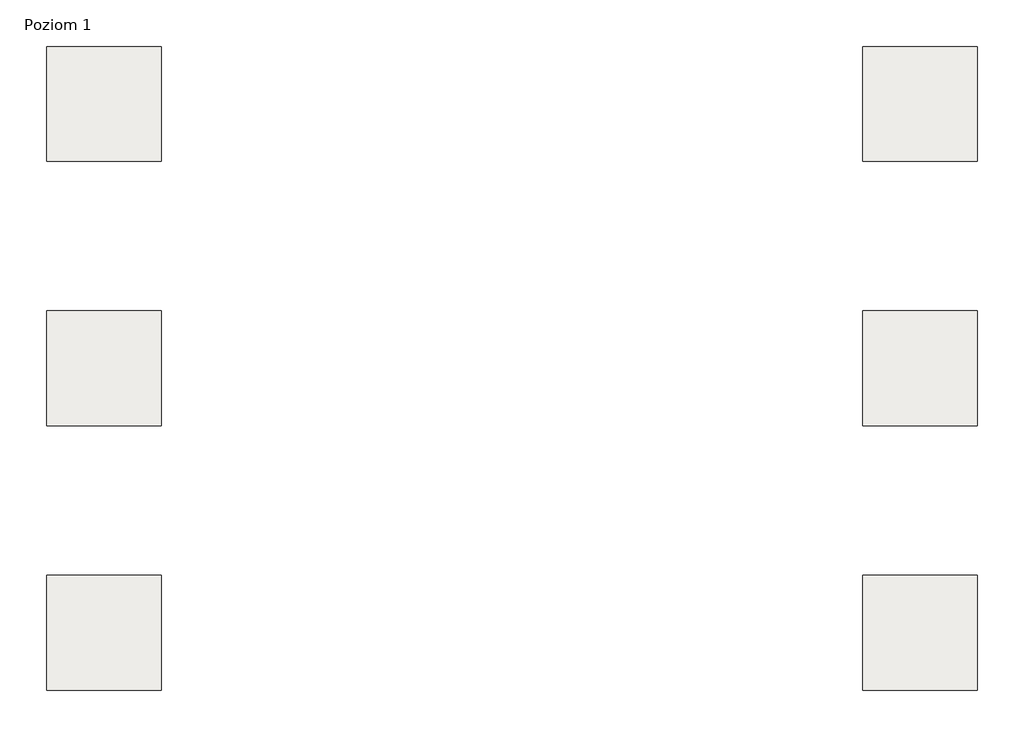
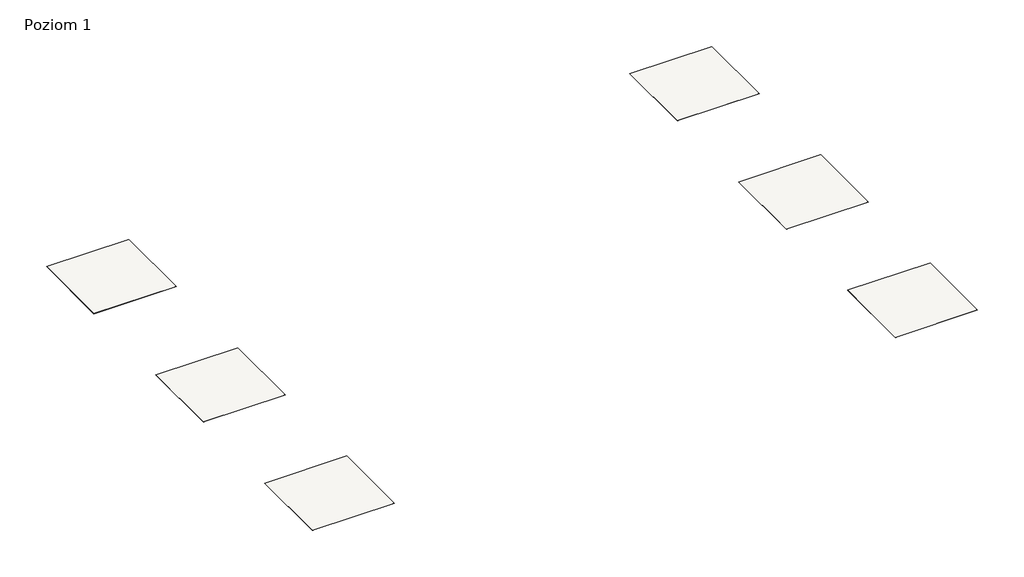
# One storey: 6 slabs.
"""IFC4 building model written with IfcOpenShell, lengths in millimetres."""

import ifcopenshell
import ifcopenshell.guid

model = None  # the IFC model being written
_history = None  # IfcOwnerHistory: only IFC2X3 demands one
_inside = {}  # id of a spatial element -> (the spatial element, [elements in it])
_under = {}  # id of a project, library or spatial element -> (it, [spatial elements below it])
_declared = {}  # id of a project -> (the project, [libraries it declares])
_typed = {}  # id of a type object -> (the type object, [elements of that type])
_made_of = {}  # id of a material, layer set ... -> (it, [elements and type objects made of it])


def new_model(schema):
    """Start an empty IFC model of exactly this schema.

    Asked for "IFC4X3", IfcOpenShell would pick the latest addendum, in which some entities
    have other attributes; the version numbers below select the first issue.
    IFC2X3 requires an IfcOwnerHistory on every rooted entity: one is made here for all.
    """
    global model, _history
    if schema == "IFC4X3":
        model = ifcopenshell.file(schema_version=(4, 3, 0, 0))
    else:
        model = ifcopenshell.file(schema=schema)
    _inside.clear()
    _under.clear()
    _declared.clear()
    _typed.clear()
    _made_of.clear()
    _history = None
    if model.schema == "IFC2X3":
        org = make("IfcOrganization", Name="unknown")
        user = make(
            "IfcPersonAndOrganization",
            ThePerson=make("IfcPerson", FamilyName="unknown"),
            TheOrganization=org,
        )
        app = make(
            "IfcApplication",
            ApplicationDeveloper=org,
            Version="unknown",
            ApplicationFullName="unknown",
            ApplicationIdentifier="unknown",
        )
        _history = make(
            "IfcOwnerHistory",
            OwningUser=user,
            OwningApplication=app,
            ChangeAction="ADDED",
            CreationDate=0,
        )
    return model


def make(cls, **values):
    """One entity of the class cls with the attributes given. An attribute that is None is left unset."""
    return model.create_entity(
        cls, **{name: value for name, value in values.items() if value is not None}
    )


def rooted(cls, **values):
    """An entity with a GlobalId (a new one), such as an element, a storey or a relation."""
    return make(cls, GlobalId=ifcopenshell.guid.new(), OwnerHistory=_history, **values)


def si_unit(unit_type, name, prefix=None):
    """IfcSIUnit, for example si_unit("LENGTHUNIT", "METRE", prefix="MILLI")."""
    return make("IfcSIUnit", UnitType=unit_type, Prefix=prefix, Name=name)


def assignment(units):
    """IfcUnitAssignment: the units of a project."""
    return None if units is None else make("IfcUnitAssignment", Units=units)


def point(xyz):
    """IfcCartesianPoint."""
    return None if xyz is None else make("IfcCartesianPoint", Coordinates=xyz)


def direction(xyz):
    """IfcDirection."""
    return None if xyz is None else make("IfcDirection", DirectionRatios=xyz)


def frame(location, z_axis=None, x_axis=None):
    """IfcAxis2Placement3D, a coordinate frame: its origin and axes. An axis left out is left unset."""
    return make(
        "IfcAxis2Placement3D",
        Location=point(location),
        Axis=direction(z_axis),
        RefDirection=direction(x_axis),
    )


def origin():
    """The frame at (0, 0, 0) with its axes left unset."""
    return frame((0.0, 0.0, 0.0))


def place(relative_to, where):
    """IfcLocalPlacement: puts the frame where relative to a parent placement (None: the world)."""
    return make(
        "IfcLocalPlacement", PlacementRelTo=relative_to, RelativePlacement=where
    )


def context(
    kind, dimensions, precision=None, world=None, true_north=None, identifier=None
):
    """IfcGeometricRepresentationContext, for example the 3D "Model" context."""
    return make(
        "IfcGeometricRepresentationContext",
        ContextIdentifier=identifier,
        ContextType=kind,
        CoordinateSpaceDimension=dimensions,
        Precision=precision,
        WorldCoordinateSystem=world,
        TrueNorth=true_north,
    )


def project(units=None, contexts=None):
    """IfcProject with its units and contexts."""
    return rooted(
        "IfcProject",
        Name="project",
        RepresentationContexts=contexts,
        UnitsInContext=assignment(units),
    )


def spatial(cls, under=None, at=None, **own):
    """A site, building, storey or space (cls), placed at a placement, below another one or the project."""
    s = rooted(cls, ObjectPlacement=at, **own)
    if under is not None:
        _under.setdefault(under.id(), (under, []))[1].append(s)
    return s


def polyline(points):
    """IfcPolyline through the points."""
    return make("IfcPolyline", Points=[point(p) for p in points])


def outline(outer, holes=None, kind="AREA"):
    """IfcArbitraryClosedProfileDef: a profile drawn as a closed curve; with holes, ...WithVoids."""
    if holes is None:
        return make("IfcArbitraryClosedProfileDef", ProfileType=kind, OuterCurve=outer)
    return make(
        "IfcArbitraryProfileDefWithVoids",
        ProfileType=kind,
        OuterCurve=outer,
        InnerCurves=holes,
    )


def extrude(swept, where, along, depth):
    """IfcExtrudedAreaSolid: the profile swept, set in the frame where, extruded along a direction by depth."""
    return make(
        "IfcExtrudedAreaSolid",
        SweptArea=swept,
        Position=where,
        ExtrudedDirection=direction(along),
        Depth=depth,
    )


def shape(context_of_items, identifier, shape_type, items):
    """IfcShapeRepresentation: the items that make up one representation, for example the "Body"."""
    return make(
        "IfcShapeRepresentation",
        ContextOfItems=context_of_items,
        RepresentationIdentifier=identifier,
        RepresentationType=shape_type,
        Items=items,
    )


def made_of(thing, what):
    """Note that an element or type object is made of a material, layer set ...; save() writes the relation."""
    if what is not None:
        _made_of.setdefault(what.id(), (what, []))[1].append(thing)
    return thing


def element(
    cls,
    number,
    at=None,
    inside=None,
    cuts=None,
    type_object=None,
    material=None,
    context=None,
    identifier="Body",
    shape_type=None,
    held_by="IfcProductDefinitionShape",
    body=None,
    shapes=None,
    **own,
):
    """One element of the class cls, such as IfcWall. Its Tag is "e" and its number.

    at: its placement. inside: the storey or other place that contains it. cuts: it is an
    opening in that element (IfcRelVoidsElement). A single representation is given by context,
    identifier, shape_type and body (its items); several are given by shapes. held_by: the class
    of the entity that holds the representations. save() writes the other relations.
    """
    e = rooted(cls, Tag="e%d" % number, ObjectPlacement=at, **own)
    if body is not None:
        shapes = [shape(context, identifier, shape_type, body)]
    if shapes is not None:
        e.Representation = make(held_by, Representations=shapes)
    if inside is not None:
        _inside.setdefault(inside.id(), (inside, []))[1].append(e)
    if cuts is not None:
        rooted(
            "IfcRelVoidsElement", RelatingBuildingElement=cuts, RelatedOpeningElement=e
        )
    if type_object is not None:
        _typed.setdefault(type_object.id(), (type_object, []))[1].append(e)
    return made_of(e, material)


def aggregate(whole, parts):
    """IfcRelAggregates: a whole, such as a stair, and the parts it consists of."""
    return rooted("IfcRelAggregates", RelatingObject=whole, RelatedObjects=parts)


def save(model, path):
    """Write the relations noted so far, then the file.

    IfcRelAggregates (storeys below a building ...), IfcRelContainedInSpatialStructure (elements
    in a storey), IfcRelDefinesByType, IfcRelAssociatesMaterial and IfcRelDeclares: one each for
    every whole, place, type object, material and project.
    """
    for whole, parts in _under.values():
        aggregate(whole, parts)
    for where, things in _inside.values():
        rooted(
            "IfcRelContainedInSpatialStructure",
            RelatedElements=things,
            RelatingStructure=where,
        )
    for kind, things in _typed.values():
        rooted("IfcRelDefinesByType", RelatedObjects=things, RelatingType=kind)
    for what, things in _made_of.values():
        rooted("IfcRelAssociatesMaterial", RelatedObjects=things, RelatingMaterial=what)
    for by, libraries in _declared.values():
        rooted("IfcRelDeclares", RelatingContext=by, RelatedDefinitions=libraries)
    model.write(path)


model = new_model("IFC4")

# Units and contexts
model_context = context("Model", 3, world=origin())
ifc_project = project(units=[si_unit("LENGTHUNIT", "METRE", prefix="MILLI")], contexts=[model_context])

# Site, building, storey
site = spatial("IfcSite", under=ifc_project)
building = spatial("IfcBuilding", under=site)
storey = spatial("IfcBuildingStorey", under=building, Name="Poziom 1", Elevation=0.0)

# Slabs
placement = place(None, origin())
element("IfcSlab", 1, at=placement, inside=storey, context=model_context, shape_type="SweptSolid", body=[
    extrude(outline(polyline([(3036.5009197, 24640.1445193), (3036.5009197, 23640.1445193), (2036.5009197, 23640.1445193), (2036.5009197, 24640.1445193), (3036.5009197, 24640.1445193)])), frame((0.0, 0.0, -1.5), z_axis=(0.0, 0.0, 1.0), x_axis=(1.0, 0.0, 0.0)), (0.0, 0.0, 1.0), 1.5),
])
element("IfcSlab", 2, at=placement, inside=storey, context=model_context, shape_type="SweptSolid", body=[
    extrude(outline(polyline([(3036.5009197, 22340.1445193), (3036.5009197, 21340.1445193), (2036.5009197, 21340.1445193), (2036.5009197, 22340.1445193), (3036.5009197, 22340.1445193)])), frame((0.0, 0.0, -1.5), z_axis=(0.0, 0.0, 1.0), x_axis=(1.0, 0.0, 0.0)), (0.0, 0.0, 1.0), 1.5),
])
element("IfcSlab", 3, at=placement, inside=storey, context=model_context, shape_type="SweptSolid", body=[
    extrude(outline(polyline([(3036.5009197, 20040.1445193), (3036.5009197, 19040.1445193), (2036.5009197, 19040.1445193), (2036.5009197, 20040.1445193), (3036.5009197, 20040.1445193)])), frame((0.0, 0.0, -1.5), z_axis=(0.0, 0.0, 1.0), x_axis=(1.0, 0.0, 0.0)), (0.0, 0.0, 1.0), 1.5),
])
element("IfcSlab", 4, at=placement, inside=storey, context=model_context, shape_type="SweptSolid", body=[
    extrude(outline(polyline([(10136.5009197, 24640.1445193), (10136.5009197, 23640.1445193), (9136.5009197, 23640.1445193), (9136.5009197, 24640.1445193), (10136.5009197, 24640.1445193)])), frame((0.0, 0.0, -1.5), z_axis=(0.0, 0.0, 1.0), x_axis=(1.0, 0.0, 0.0)), (0.0, 0.0, 1.0), 1.5),
])
element("IfcSlab", 5, at=placement, inside=storey, context=model_context, shape_type="SweptSolid", body=[
    extrude(outline(polyline([(10136.5009197, 22340.1445193), (10136.5009197, 21340.1445193), (9136.5009197, 21340.1445193), (9136.5009197, 22340.1445193), (10136.5009197, 22340.1445193)])), frame((0.0, 0.0, -1.5), z_axis=(0.0, 0.0, 1.0), x_axis=(1.0, 0.0, 0.0)), (0.0, 0.0, 1.0), 1.5),
])
element("IfcSlab", 6, at=placement, inside=storey, context=model_context, shape_type="SweptSolid", body=[
    extrude(outline(polyline([(10136.5009197, 20040.1445193), (10136.5009197, 19040.1445193), (9136.5009197, 19040.1445193), (9136.5009197, 20040.1445193), (10136.5009197, 20040.1445193)])), frame((0.0, 0.0, -1.5), z_axis=(0.0, 0.0, 1.0), x_axis=(1.0, 0.0, 0.0)), (0.0, 0.0, 1.0), 1.5),
])

save(model, "model.ifc")
